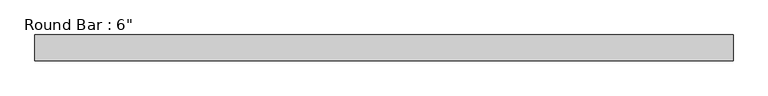
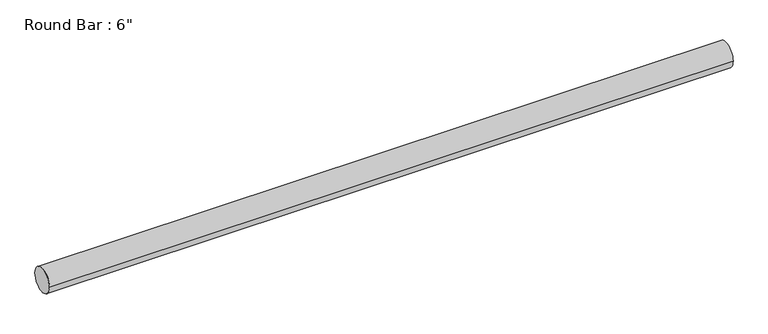
"""IFC4 building model written with IfcOpenShell, lengths in millimetres: beam geometry."""

from ifc_helpers import new_model, si_unit, point, frame, origin, origin_2d, place, context, project, spatial, circle_curve, trimmed, segment, composite_curve, outline, extrude, source, transform, mapped, element, save


def beam_c57d5708(model_context):
    return source(origin(), model_context, "Body", "SweptSolid", [
        extrude(outline(composite_curve([segment(trimmed(circle_curve(origin_2d(), 76.2), [point((-76.2, 0.0))], [point((76.2, 0.0))], False, "CARTESIAN"), True, "CONTINUOUS"), segment(trimmed(circle_curve(origin_2d(), 76.2), [point((76.2, 0.0))], [point((-76.2, 0.0))], False, "CARTESIAN"), True, "CONTINUOUS")], self_intersect=False)), frame((-2283.9194712, 0.0, 0.0), z_axis=(1.0, 0.0, 0.0), x_axis=(0.0, 1.0, 0.0)), (0.0, 0.0, 1.0), 4141.8780908),
    ])


if __name__ == "__main__":
    model = new_model("IFC4")
    model_context = context("Model", 3, world=origin())
    ifc_project = project(units=[si_unit("LENGTHUNIT", "METRE", prefix="MILLI")], contexts=[model_context])
    site = spatial("IfcSite", under=ifc_project)
    building = spatial("IfcBuilding", under=site)
    placement = place(None, origin())
    beam_shape = beam_c57d5708(model_context)
    element("IfcBeam", 1, ObjectType="Round Bar : 6\"", at=placement, inside=building, context=model_context, shape_type="MappedRepresentation", body=[
        mapped(beam_shape, transform((0.0, 0.0, 0.0), x_axis=(1.0, 0.0, 0.0), y_axis=(0.0, 1.0, 0.0), z_axis=(0.0, 0.0, 1.0))),
    ])
    save(model, "model.ifc")
